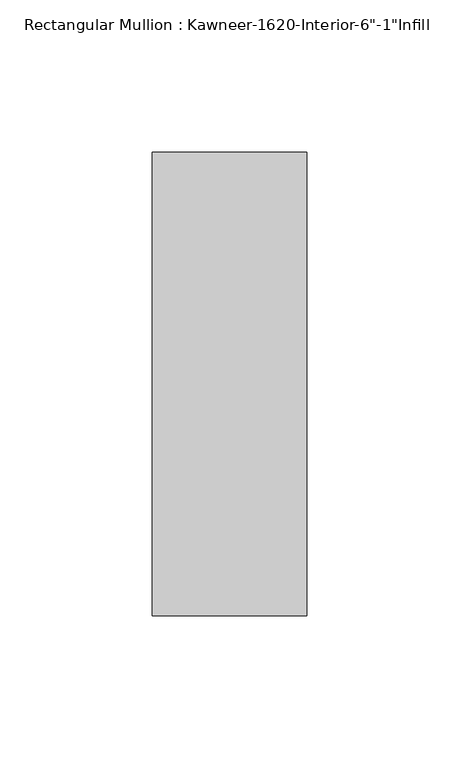
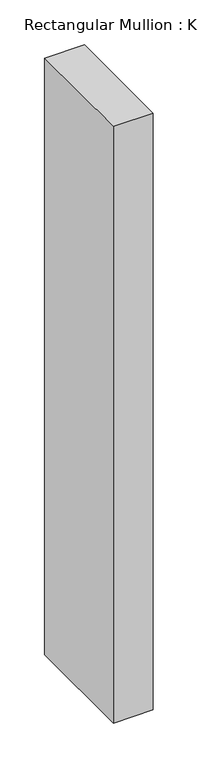
"""IFC4 building model written with IfcOpenShell, lengths in millimetres: member geometry."""

from ifc_helpers import new_model, si_unit, frame, origin, place, context, project, spatial, polyline, outline, extrude, source, transform, mapped, element, save


def member_960695eb(model_context):
    return source(origin(), model_context, "Body", "SweptSolid", [
        extrude(outline(polyline([(25.4, -114.3), (-25.4, -114.3), (-25.4, 38.1), (25.4, 38.1), (25.4, -114.3)])), frame((0.0, 0.0, -809.625), z_axis=(0.0, 0.0, 1.0), x_axis=(1.0, 0.0, 0.0)), (0.0, 0.0, 1.0), 809.625),
    ])


if __name__ == "__main__":
    model = new_model("IFC4")
    model_context = context("Model", 3, world=origin())
    ifc_project = project(units=[si_unit("LENGTHUNIT", "METRE", prefix="MILLI")], contexts=[model_context])
    site = spatial("IfcSite", under=ifc_project)
    building = spatial("IfcBuilding", under=site)
    placement = place(None, origin())
    member_shape = member_960695eb(model_context)
    element("IfcMember", 1, ObjectType="Rectangular Mullion : Kawneer-1620-Interior-6\"-1\"Infill", at=placement, inside=building, context=model_context, shape_type="MappedRepresentation", body=[
        mapped(member_shape, transform((0.0, 0.0, 0.0), x_axis=(1.0, 0.0, 0.0), y_axis=(0.0, 1.0, 0.0), z_axis=(0.0, 0.0, 1.0))),
    ])
    save(model, "model.ifc")
